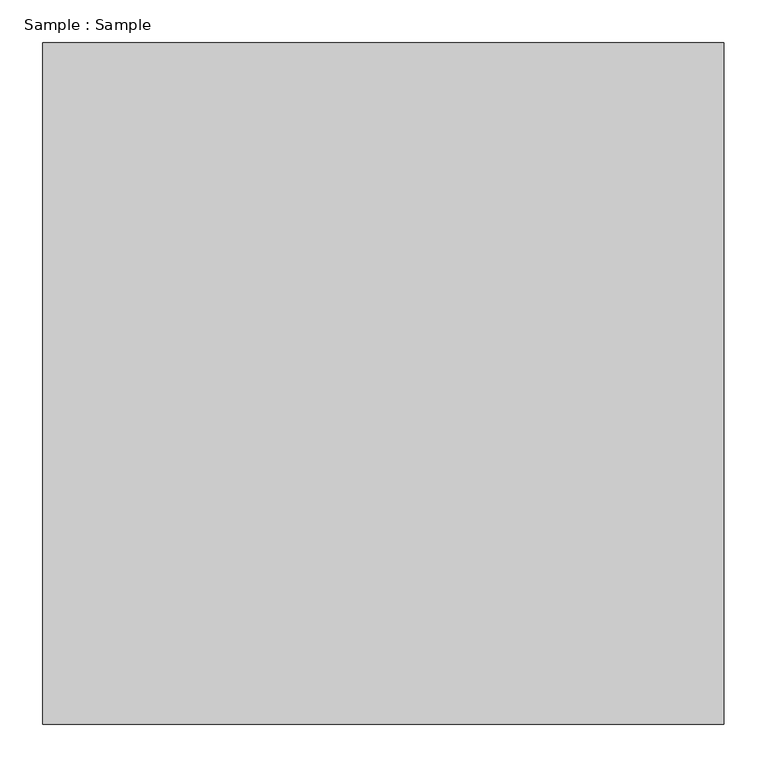
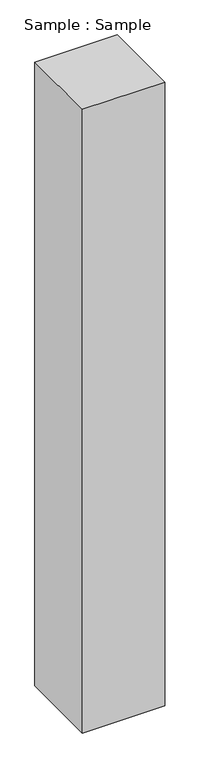
"""IFC4 building model written with IfcOpenShell, lengths in millimetres: proxy geometry, Sample : Sample."""

from ifc_helpers import new_model, si_unit, origin, origin_with_axes, place, context, project, spatial, polyline, outline, extrude, source, transform, mapped, element, save


def sample_sample_d1ece6f2(model_context):
    return source(origin(), model_context, "Body", "SweptSolid", [
        extrude(outline(polyline([(400.0, 400.0), (400.0, -400.0), (-400.0, -400.0), (-400.0, 400.0), (400.0, 400.0)])), origin_with_axes(), (0.0, 0.0, 1.0), 6413.7931034),
    ])


if __name__ == "__main__":
    model = new_model("IFC4")
    model_context = context("Model", 3, world=origin())
    ifc_project = project(units=[si_unit("LENGTHUNIT", "METRE", prefix="MILLI")], contexts=[model_context])
    site = spatial("IfcSite", under=ifc_project)
    building = spatial("IfcBuilding", under=site)
    placement = place(None, origin())
    sample_sample_shape = sample_sample_d1ece6f2(model_context)
    element("IfcBuildingElementProxy", 1, Name="Sample : Sample", ObjectType="Sample : Sample", at=placement, inside=building, context=model_context, shape_type="MappedRepresentation", body=[
        mapped(sample_sample_shape, transform((0.0, 0.0, 0.0), x_axis=(1.0, 0.0, 0.0), y_axis=(0.0, 1.0, 0.0), z_axis=(0.0, 0.0, 1.0))),
    ])
    save(model, "model.ifc")
